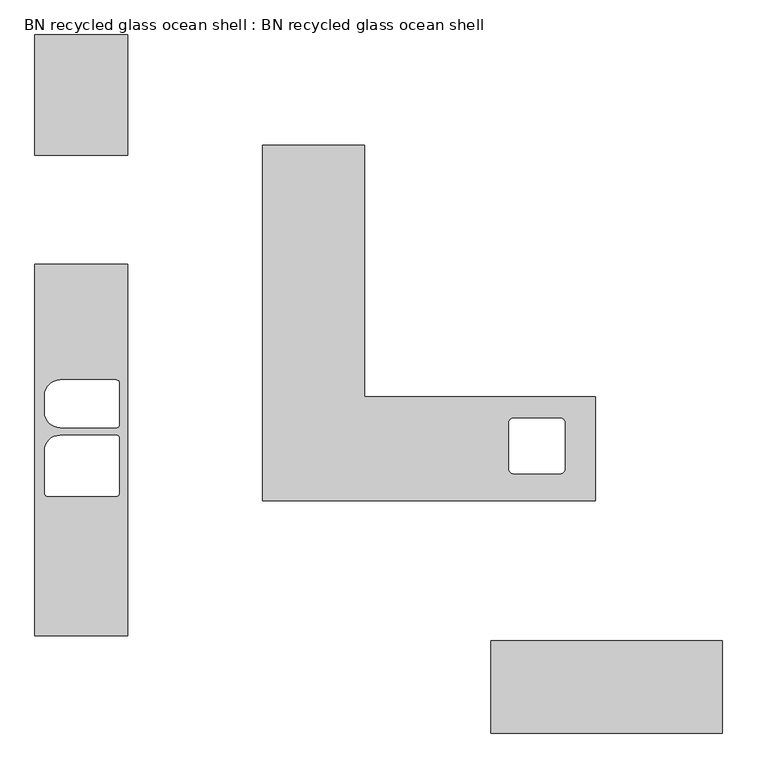
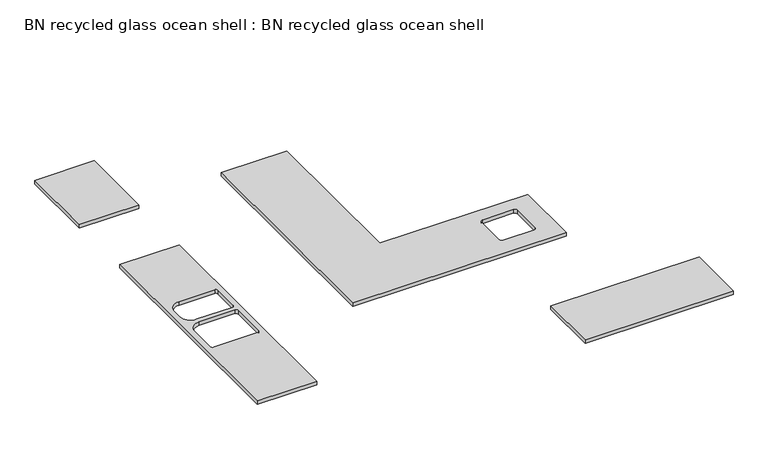
"""IFC4 building model written with IfcOpenShell, lengths in millimetres: proxy geometry, BN recycled glass ocean shell : BN recycled glass ocean shell."""

from ifc_helpers import new_model, si_unit, point, frame, frame_2d, origin, place, context, project, spatial, polyline, circle_curve, trimmed, segment, composite_curve, outline, extrude, source, transform, mapped, element, save
from ifc_brep_helpers import plane_surface, revolved_surface, advanced_brep


def bn_recycled_glass_ocean_shell_bn_recycled_glass_ocean_shell_d4eb123a(model_context):
    return source(origin(), model_context, "Body", "SolidModel", [
        advanced_brep(
        [(-9486.817871, 2690.4510193, 914.4), (-11001.463242, 2690.4510193, 914.4), (-11001.463242, 4340.4202307, 914.4), (-11642.813242, 4340.4202307, 914.4), (-11673.5882126, 4340.4202307, 914.4), (-11673.5882126, 2007.7689712, 914.4), (-9486.817871, 2007.7689712, 914.4), (-10028.8747298, 2547.9633453, 914.4), (-9713.898218, 2547.9632628, 914.4), (-9687.9687055, 2520.7901248, 914.4), (-9687.9734864, 2212.2107787, 914.4), (-9713.9505098, 2185.1904094, 914.4), (-10028.7786568, 2185.1861336, 914.4), (-10054.8028263, 2212.2600707, 914.4), (-10054.8023121, 2520.8451679, 914.4), (-9486.817871, 2690.4510193, 876.3), (-9486.817871, 2007.7689712, 876.3), (-11673.5882126, 2007.7689712, 876.3), (-11673.5882126, 4340.4202307, 876.3), (-11642.813242, 4340.4202307, 876.3), (-11001.463242, 4340.4202307, 876.3), (-11001.463242, 2690.4510193, 876.3), (-10028.8747774, 2547.9633128, 876.3), (-10054.8020994, 2520.845412, 876.3), (-10054.8028217, 2212.260071, 876.3), (-10028.7786568, 2185.1861336, 876.3), (-9713.9505098, 2185.1904094, 876.3), (-9687.9734864, 2212.2107787, 876.3), (-9687.9687055, 2520.7901248, 876.3), (-9713.898752, 2547.9633104, 876.3)],
        [
            (0, 1),
            (1, 2),
            (2, 3),
            (3, 4),
            (4, 5),
            (5, 6),
            (6, 0),
            (7, 8, circle_curve(frame((-9871.3869042, 904.4918412, 914.4), z_axis=(0.0, 0.0, -1.0), x_axis=(1.0, 0.0, 0.0)), 1651.0)),
            (8, 9, circle_curve(frame((-9716.6366422, 2519.3921928, 914.4), z_axis=(0.0, 0.0, -1.0), x_axis=(1.0, 0.0, 0.0)), 28.702)),
            (9, 10, circle_curve(frame((-12730.8025574, 2366.5475947, 914.4), z_axis=(0.0, 0.0, -1.0), x_axis=(1.0, 0.0, 0.0)), 3046.7406533)),
            (10, 11, circle_curve(frame((-9716.5749695, 2213.7106969, 914.4), z_axis=(0.0, 0.0, -1.0), x_axis=(1.0, 0.0, 0.0)), 28.6407854)),
            (11, 12, circle_curve(frame((-9871.3869042, 3828.6668412, 914.4), z_axis=(0.0, 0.0, -1.0), x_axis=(1.0, 0.0, 0.0)), 1651.0)),
            (12, 13, circle_curve(frame((-10026.1988387, 2213.710443, 914.4), z_axis=(0.0, 0.0, -1.0), x_axis=(1.0, 0.0, 0.0)), 28.6407348)),
            (13, 14, circle_curve(frame((-7011.9712496, 2366.5475948, 914.4), z_axis=(0.0, 0.0, -1.0), x_axis=(1.0, 0.0, 0.0)), 3046.7406546)),
            (14, 7, circle_curve(frame((-10026.1369122, 2519.3921928, 914.4), z_axis=(0.0, 0.0, -1.0), x_axis=(1.0, 0.0, 0.0)), 28.702)),
            (15, 16),
            (16, 17),
            (17, 18),
            (18, 19),
            (19, 20),
            (20, 21),
            (21, 15),
            (22, 23, circle_curve(frame((-10026.1369122, 2519.3921928, 876.3), z_axis=(0.0, 0.0, 1.0), x_axis=(1.0, 0.0, 0.0)), 28.702)),
            (23, 24, circle_curve(frame((-7011.9712496, 2366.5475948, 876.3), z_axis=(0.0, 0.0, 1.0), x_axis=(1.0, 0.0, 0.0)), 3046.7406546)),
            (24, 25, circle_curve(frame((-10026.1988387, 2213.710443, 876.3), z_axis=(0.0, 0.0, 1.0), x_axis=(1.0, 0.0, 0.0)), 28.6407348)),
            (25, 26, circle_curve(frame((-9871.3869042, 3828.6668412, 876.3), z_axis=(0.0, 0.0, 1.0), x_axis=(1.0, 0.0, 0.0)), 1651.0)),
            (26, 27, circle_curve(frame((-9716.5749695, 2213.7106969, 876.3), z_axis=(0.0, 0.0, 1.0), x_axis=(1.0, 0.0, 0.0)), 28.6407854)),
            (27, 28, circle_curve(frame((-12730.8025574, 2366.5475947, 876.3), z_axis=(0.0, 0.0, 1.0), x_axis=(1.0, 0.0, 0.0)), 3046.7406533)),
            (28, 29, circle_curve(frame((-9716.6366422, 2519.3921928, 876.3), z_axis=(0.0, 0.0, 1.0), x_axis=(1.0, 0.0, 0.0)), 28.702)),
            (29, 22, circle_curve(frame((-9871.3869042, 904.4918412, 876.3), z_axis=(0.0, 0.0, 1.0), x_axis=(1.0, 0.0, 0.0)), 1651.0)),
            (0, 15),
            (21, 1),
            (4, 18),
            (17, 5),
            (16, 6),
            (7, 22),
            (29, 8),
            (28, 9),
            (27, 10),
            (26, 11),
            (25, 12),
            (24, 13),
            (23, 14),
            (20, 2),
            (19, 3),
        ],
        [
            plane_surface(frame((-11732.6942414, 2690.4510193, 914.4), z_axis=(0.0, 0.0, 1.0), x_axis=(-1.0, 0.0, 0.0))),
            plane_surface(frame((-11732.6942414, 2690.4510193, 876.3), z_axis=(0.0, 0.0, -1.0), x_axis=(1.0, 0.0, 0.0))),
            plane_surface(frame((-9486.817871, 2690.4510193, 914.4), z_axis=(0.0, 1.0, 0.0), x_axis=(0.0, 0.0, -1.0))),
            plane_surface(frame((-11673.5882126, 4340.4202307, 914.4), z_axis=(-1.0, 0.0, 0.0), x_axis=(0.0, 0.0, -1.0))),
            plane_surface(frame((-11673.5882126, 2007.7689712, 914.4), z_axis=(0.0, -1.0, 0.0), x_axis=(0.0, 0.0, -1.0))),
            plane_surface(frame((-9486.817871, 2007.7689712, 914.4), z_axis=(1.0, 0.0, 0.0), x_axis=(0.0, 0.0, -1.0))),
            revolved_surface(polyline([(-8220.3869042, 904.4918412, 876.3), (-8220.3869042, 904.4918412, 914.4)]), (-9871.3869042, 904.4918412, 0.0), (0.0, 0.0, -1.0)),
            revolved_surface(polyline([(-9687.9346422, 2519.3921928, 876.3), (-9687.9346422, 2519.3921928, 914.4)]), (-9716.6366422, 2519.3921928, 0.0), (0.0, 0.0, -1.0)),
            revolved_surface(polyline([(-9684.0619041, 2366.5475947, 876.3), (-9684.0619041, 2366.5475947, 914.4)]), (-12730.8025574, 2366.5475947, 0.0), (0.0, 0.0, -1.0)),
            revolved_surface(polyline([(-9687.934184099999, 2213.7106969, 876.3), (-9687.934184099999, 2213.7106969, 914.4)]), (-9716.5749695, 2213.7106969, 0.0), (0.0, 0.0, -1.0)),
            revolved_surface(polyline([(-8220.3869042, 3828.6668412, 876.3), (-8220.3869042, 3828.6668412, 914.4)]), (-9871.3869042, 3828.6668412, 0.0), (0.0, 0.0, -1.0)),
            revolved_surface(polyline([(-9997.5581039, 2213.710443, 876.3), (-9997.5581039, 2213.710443, 914.4)]), (-10026.1988387, 2213.710443, 0.0), (0.0, 0.0, -1.0)),
            revolved_surface(polyline([(-3965.230595, 2366.5475948, 876.3), (-3965.230595, 2366.5475948, 914.4)]), (-7011.9712496, 2366.5475948, 0.0), (0.0, 0.0, -1.0)),
            revolved_surface(polyline([(-9997.4349122, 2519.3921928, 876.3), (-9997.4349122, 2519.3921928, 914.4)]), (-10026.1369122, 2519.3921928, 0.0), (0.0, 0.0, -1.0)),
            plane_surface(frame((-11001.463242, 2690.4510193, 914.4), z_axis=(1.0, 0.0, 0.0), x_axis=(0.0, 0.0, -1.0))),
            plane_surface(frame((-11001.463242, 4340.4202307, 914.4), z_axis=(0.0, 1.0, 0.0), x_axis=(0.0, 0.0, -1.0))),
            plane_surface(frame((-11642.813242, 4340.4202307, 914.4), z_axis=(0.0, 1.0, 0.0), x_axis=(0.0, 0.0, -1.0))),
        ],
        [
            (0, [[1, 2, 3, 4, 5, 6, 7], [8, 9, 10, 11, 12, 13, 14, 15]]),
            (1, [[16, 17, 18, 19, 20, 21, 22], [23, 24, 25, 26, 27, 28, 29, 30]]),
            (2, [[-1, 31, -22, 32]]),
            (3, [[-5, 33, -18, 34]]),
            (4, [[-6, -34, -17, 35]]),
            (5, [[-7, -35, -16, -31]]),
            (6, [[-8, 36, -30, 37]]),
            (7, [[-9, -37, -29, 38]]),
            (8, [[-10, -38, -28, 39]]),
            (9, [[-11, -39, -27, 40]]),
            (10, [[-12, -40, -26, 41]]),
            (11, [[-13, -41, -25, 42]]),
            (12, [[-14, -42, -24, 43]]),
            (13, [[-15, -43, -23, -36]]),
            (14, [[-2, -32, -21, 44]]),
            (15, [[-3, -44, -20, 45]]),
            (16, [[-4, -45, -19, -33]]),
        ],
    ),
        extrude(outline(polyline([(-8655.2429315, 1087.0189712), (-8655.2429315, 482.1814712), (-10172.8929315, 482.1814712), (-10172.8929315, 1087.0189712), (-8655.2429315, 1087.0189712)])), frame((0.0, 0.0, 876.3), z_axis=(0.0, 0.0, 1.0), x_axis=(1.0, 0.0, 0.0)), (0.0, 0.0, 1.0), 38.1),
        extrude(outline(polyline([(-12557.3179315, 5062.7751285), (-12557.3179315, 4272.2001285), (-13166.9179315, 4272.2001285), (-13166.9179315, 5062.7751285), (-12557.3179315, 5062.7751285)])), frame((0.0, 0.0, 876.3), z_axis=(0.0, 0.0, 1.0), x_axis=(1.0, 0.0, 0.0)), (0.0, 0.0, 1.0), 38.1),
        extrude(outline(polyline([(-13166.9179315, 3558.0626229), (-12557.3179315, 3558.0626229), (-12557.3179315, 1119.4251285), (-13166.9179315, 1119.4251285), (-13166.9179315, 3558.0626229)]), holes=[composite_curve([segment(polyline([(-13103.4179315, 2696.9975102), (-13103.4179315, 2588.4828097)]), True, "CONTINUOUS"), segment(trimmed(circle_curve(frame_2d((-13001.4952455, 2588.4828097)), 101.922686), [point((-13103.4179315, 2588.4828097))], [point((-13001.4952455, 2486.5601236))], True, "CARTESIAN"), True, "CONTINUOUS"), segment(polyline([(-13001.4952455, 2486.5601236), (-12633.0944061, 2486.5601236)]), True, "CONTINUOUS"), segment(trimmed(circle_curve(frame_2d((-12633.0944061, 2507.3503233)), 20.7901996), [point((-12633.0944061, 2486.5601236))], [point((-12612.3042065, 2507.3503233))], True, "CARTESIAN"), True, "CONTINUOUS"), segment(polyline([(-12612.3042065, 2507.3503233), (-12612.3042065, 2778.1299966)]), True, "CONTINUOUS"), segment(trimmed(circle_curve(frame_2d((-12633.0944061, 2778.1299966)), 20.7901996), [point((-12612.3042065, 2778.1299966))], [point((-12633.0944061, 2798.9201962))], True, "CARTESIAN"), True, "CONTINUOUS"), segment(polyline([(-12633.0944061, 2798.9201962), (-13001.4952455, 2798.9201962)]), True, "CONTINUOUS"), segment(trimmed(circle_curve(frame_2d((-13001.4952455, 2696.9975102)), 101.922686), [point((-13001.4952455, 2798.9201962))], [point((-13103.4179315, 2696.9975102))], True, "CARTESIAN"), True, "CONTINUOUS")], self_intersect=False), composite_curve([segment(polyline([(-13103.4179315, 2334.4367117), (-13103.4179315, 2056.5579458)]), True, "CONTINUOUS"), segment(trimmed(circle_curve(frame_2d((-13082.6277319, 2056.5579458)), 20.7901996), [point((-13103.4179315, 2056.5579458))], [point((-13082.6277319, 2035.7677461))], True, "CARTESIAN"), True, "CONTINUOUS"), segment(polyline([(-13082.6277319, 2035.7677461), (-12633.0944061, 2035.7677461)]), True, "CONTINUOUS"), segment(trimmed(circle_curve(frame_2d((-12633.0944061, 2056.5579458)), 20.7901996), [point((-12633.0944061, 2035.7677461))], [point((-12612.3042065, 2056.5579458))], True, "CARTESIAN"), True, "CONTINUOUS"), segment(polyline([(-12612.3042065, 2056.5579458), (-12612.3042065, 2415.569198)]), True, "CONTINUOUS"), segment(trimmed(circle_curve(frame_2d((-12633.0944061, 2415.569198)), 20.7901996), [point((-12612.3042065, 2415.569198))], [point((-12633.0944061, 2436.3593977))], True, "CARTESIAN"), True, "CONTINUOUS"), segment(polyline([(-12633.0944061, 2436.3593977), (-13001.4952455, 2436.3593977)]), True, "CONTINUOUS"), segment(trimmed(circle_curve(frame_2d((-13001.4952455, 2334.4367117)), 101.922686), [point((-13001.4952455, 2436.3593977))], [point((-13103.4179315, 2334.4367117))], True, "CARTESIAN"), True, "CONTINUOUS")], self_intersect=False)]), frame((0.0, 0.0, 876.3), z_axis=(0.0, 0.0, 1.0), x_axis=(1.0, 0.0, 0.0)), (0.0, 0.0, 1.0), 38.1),
    ])


if __name__ == "__main__":
    model = new_model("IFC4")
    model_context = context("Model", 3, world=origin())
    ifc_project = project(units=[si_unit("LENGTHUNIT", "METRE", prefix="MILLI")], contexts=[model_context])
    site = spatial("IfcSite", under=ifc_project)
    building = spatial("IfcBuilding", under=site)
    placement = place(None, origin())
    bn_recycled_glass_ocean_shell_bn_recycled_glass_ocean_shell_shape = bn_recycled_glass_ocean_shell_bn_recycled_glass_ocean_shell_d4eb123a(model_context)
    element("IfcBuildingElementProxy", 1, Name="BN recycled glass ocean shell : BN recycled glass ocean shell", ObjectType="BN recycled glass ocean shell : BN recycled glass ocean shell", at=placement, inside=building, context=model_context, shape_type="MappedRepresentation", body=[
        mapped(bn_recycled_glass_ocean_shell_bn_recycled_glass_ocean_shell_shape, transform((0.0, 0.0, 0.0), x_axis=(1.0, 0.0, 0.0), y_axis=(0.0, 1.0, 0.0), z_axis=(0.0, 0.0, 1.0))),
    ])
    save(model, "model.ifc")
